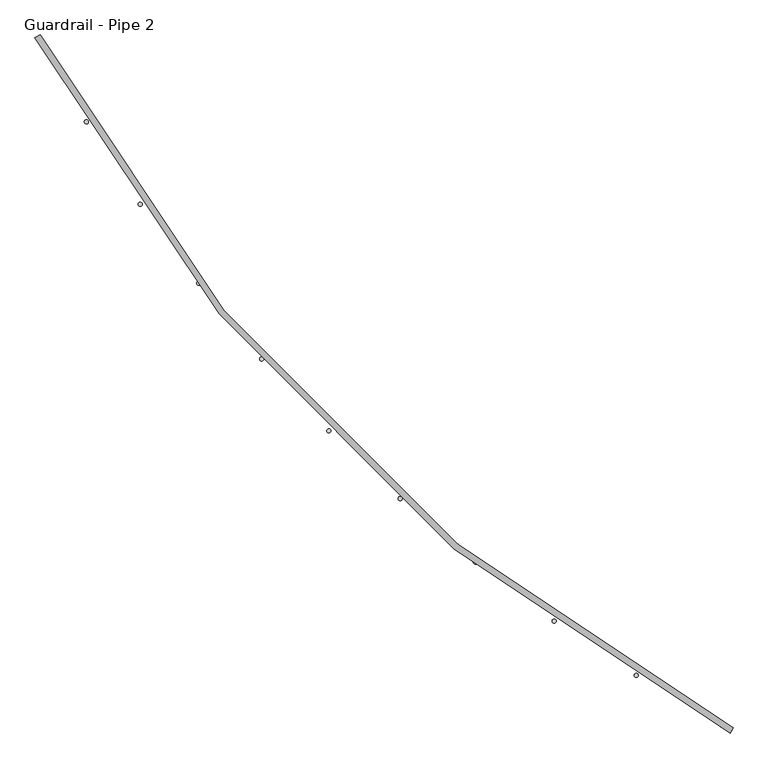
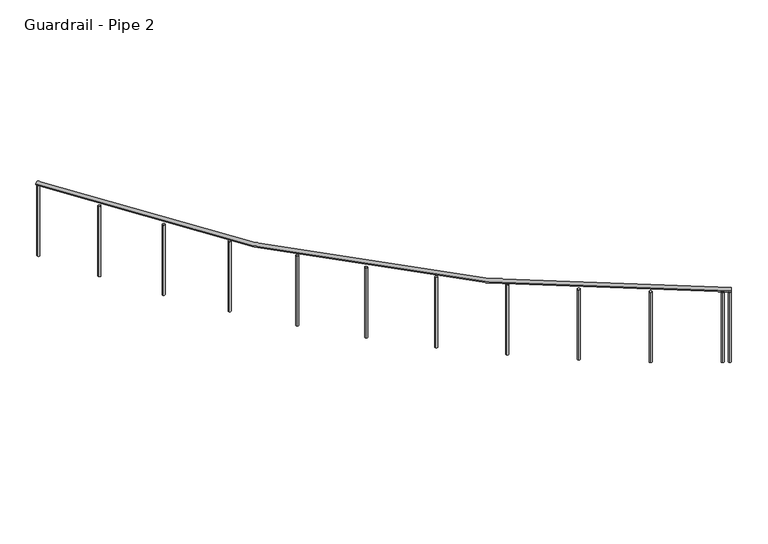
"""IFC4 building model written with IfcOpenShell, lengths in millimetres: railing geometry, Guardrail - Pipe 2."""

from ifc_helpers import new_model, si_unit, point, frame, frame_2d, origin, place, context, project, spatial, circle_curve, ellipse_curve, trimmed, segment, composite_curve, outline, extrude, source, transform, mapped, element, save
from ifc_brep_helpers import plane_surface, revolved_surface, advanced_brep


def guardrail_pipe_2_9dff063b(model_context):
    return source(origin(), model_context, "Body", "SolidModel", [
        advanced_brep(
        [(590043.0019382, -293886.65214, 5619.75), (585736.58135, -289580.2315517, 5619.75), (585770.198997, -289562.30214, 5619.75), (590060.93135, -293853.0344929, 5619.75)],
        [
            (0, 1, circle_curve(frame((594964.6254676, -284658.6080223, 5619.75), z_axis=(0.0, 0.0, -1.0), x_axis=(-0.8823529411766736, -0.4705882352937368, 0.0)), 10458.45)),
            (1, 2, circle_curve(frame((585753.3901735, -289571.2668459, 5619.75), z_axis=(0.4705882352937368, -0.8823529411766736, 0.0), x_axis=(0.8823529411766736, 0.4705882352937368, 0.0)), 19.05)),
            (2, 3, circle_curve(frame((594964.6254676, -284658.6080223, 5619.75), z_axis=(0.0, 0.0, 1.0), x_axis=(-0.8823529411766736, -0.4705882352937368, 0.0)), 10420.35)),
            (3, 0, circle_curve(frame((590051.9666441, -293869.8433165, 5619.75), z_axis=(-0.8823529411766973, 0.4705882352936925, 0.0), x_axis=(0.4705882352936925, 0.8823529411766973, 0.0)), 19.05)),
            (2, 1, circle_curve(frame((585753.3901735, -289571.2668459, 5619.75), z_axis=(0.4705882352937368, -0.8823529411766736, 0.0), x_axis=(0.8823529411766736, 0.4705882352937368, 0.0)), 19.05)),
            (0, 3, circle_curve(frame((590051.9666441, -293869.8433165, 5619.75), z_axis=(-0.8823529411766982, 0.4705882352936907, 0.0), x_axis=(0.4705882352936907, 0.8823529411766982, 0.0)), 19.05)),
        ],
        [
            revolved_surface(trimmed(ellipse_curve(frame((585753.3901735, -289571.2668459, 5619.75), z_axis=(-0.4705882352937368, 0.8823529411766736, 0.0), x_axis=(0.8823529411766736, 0.4705882352937368, 0.0)), 19.05, 19.05), [point((585770.198997, -289562.30214, 5619.75))], [point((585736.58135, -289580.2315517, 5619.75))], True, "CARTESIAN"), (594964.6254676, -284658.6080223, 5638.8), (0.0, 0.0, 1.0)),
            revolved_surface(trimmed(ellipse_curve(frame((585753.3901735, -289571.2668459, 5619.75), z_axis=(-0.4705882352937368, 0.8823529411766736, 0.0), x_axis=(0.8823529411766736, 0.4705882352937368, 0.0)), 19.05, 19.05), [point((585736.58135, -289580.2315517, 5619.75))], [point((585770.198997, -289562.30214, 5619.75))], True, "CARTESIAN"), (594964.6254676, -284658.6080223, 5638.8), (0.0, 0.0, 1.0)),
            plane_surface(frame((585753.3901735, -289571.2668459, 5638.8), z_axis=(-0.4705882352937367, 0.8823529411766737, 0.0), x_axis=(0.8823529411766737, 0.4705882352937367, 0.0))),
            plane_surface(frame((590051.9666441, -293869.8433165, 5638.8), z_axis=(0.8823529411766935, -0.47058823529369986, 0.0), x_axis=(0.47058823529369986, 0.8823529411766935, 0.0))),
        ],
        [
            (0, [[1, 2, 3, 4]]),
            (1, [[-3, 5, -1, 6]]),
            (2, [[-5, -2]]),
            (3, [[-4, -6]]),
        ],
    ),
        extrude(outline(composite_curve([segment(trimmed(circle_curve(frame_2d((589988.1588613, -293835.527575)), 12.7), [point((589982.1047657, -293846.6917107))], [point((589994.212957, -293824.3634393))], False, "CARTESIAN"), True, "CONTINUOUS"), segment(trimmed(circle_curve(frame_2d((589988.1588613, -293835.527575)), 12.7), [point((589994.212957, -293824.3634393))], [point((589982.1047657, -293846.6917107))], False, "CARTESIAN"), True, "CONTINUOUS")], self_intersect=False)), frame((0.0, 0.0, 4876.8), z_axis=(0.0, 0.0, 1.0), x_axis=(1.0, 0.0, 0.0)), (0.0, 0.0, 1.0), 723.9),
        extrude(outline(composite_curve([segment(trimmed(circle_curve(frame_2d((589461.0670034, -293529.454464)), 12.7), [point((589454.3716768, -293540.246248))], [point((589467.76233, -293518.66268))], False, "CARTESIAN"), True, "CONTINUOUS"), segment(trimmed(circle_curve(frame_2d((589461.0670034, -293529.454464)), 12.7), [point((589467.76233, -293518.66268))], [point((589454.3716768, -293540.246248))], False, "CARTESIAN"), True, "CONTINUOUS")], self_intersect=False)), frame((0.0, 0.0, 4876.8), z_axis=(0.0, 0.0, 1.0), x_axis=(1.0, 0.0, 0.0)), (0.0, 0.0, 1.0), 723.9),
        extrude(outline(composite_curve([segment(trimmed(circle_curve(frame_2d((588952.7362764, -293193.1414432)), 12.7), [point((588945.4225426, -293203.5240873))], [point((588960.0500102, -293182.7587992))], False, "CARTESIAN"), True, "CONTINUOUS"), segment(trimmed(circle_curve(frame_2d((588952.7362764, -293193.1414432)), 12.7), [point((588960.0500102, -293182.7587992))], [point((588945.4225426, -293203.5240873))], False, "CARTESIAN"), True, "CONTINUOUS")], self_intersect=False)), frame((0.0, 0.0, 4876.8), z_axis=(0.0, 0.0, 1.0), x_axis=(1.0, 0.0, 0.0)), (0.0, 0.0, 1.0), 723.9),
        extrude(outline(composite_curve([segment(trimmed(circle_curve(frame_2d((588464.8995335, -292827.7349733)), 12.7), [point((588456.9923243, -292837.673084))], [point((588472.8067426, -292817.7968627))], False, "CARTESIAN"), True, "CONTINUOUS"), segment(trimmed(circle_curve(frame_2d((588464.8995335, -292827.7349733)), 12.7), [point((588472.8067426, -292817.7968627))], [point((588456.9923243, -292837.673084))], False, "CARTESIAN"), True, "CONTINUOUS")], self_intersect=False)), frame((0.0, 0.0, 4876.8), z_axis=(0.0, 0.0, 1.0), x_axis=(1.0, 0.0, 0.0)), (0.0, 0.0, 1.0), 723.9),
        extrude(outline(composite_curve([segment(trimmed(circle_curve(frame_2d((587999.2197658, -292434.4806917)), 12.7), [point((587990.7460363, -292443.9403908))], [point((588007.6934954, -292425.0209926))], False, "CARTESIAN"), True, "CONTINUOUS"), segment(trimmed(circle_curve(frame_2d((587999.2197658, -292434.4806917)), 12.7), [point((588007.6934954, -292425.0209926))], [point((587990.7460363, -292443.9403908))], False, "CARTESIAN"), True, "CONTINUOUS")], self_intersect=False)), frame((0.0, 0.0, 4876.8), z_axis=(0.0, 0.0, 1.0), x_axis=(1.0, 0.0, 0.0)), (0.0, 0.0, 1.0), 723.9),
        extrude(outline(composite_curve([segment(trimmed(circle_curve(frame_2d((587557.2844335, -292014.7191665)), 12.7), [point((587548.2730697, -292023.6682068))], [point((587566.2957973, -292005.7701261))], False, "CARTESIAN"), True, "CONTINUOUS"), segment(trimmed(circle_curve(frame_2d((587557.2844335, -292014.7191665)), 12.7), [point((587566.2957973, -292005.7701261))], [point((587548.2730697, -292023.6682068))], False, "CARTESIAN"), True, "CONTINUOUS")], self_intersect=False)), frame((0.0, 0.0, 4876.8), z_axis=(0.0, 0.0, 1.0), x_axis=(1.0, 0.0, 0.0)), (0.0, 0.0, 1.0), 723.9),
        extrude(outline(composite_curve([segment(trimmed(circle_curve(frame_2d((587140.6000539, -291569.8813266)), 12.7), [point((587131.0817748, -291578.2892017))], [point((587150.118333, -291561.4734515))], False, "CARTESIAN"), True, "CONTINUOUS"), segment(trimmed(circle_curve(frame_2d((587140.6000539, -291569.8813266)), 12.7), [point((587150.118333, -291561.4734515))], [point((587131.0817748, -291578.2892017))], False, "CARTESIAN"), True, "CONTINUOUS")], self_intersect=False)), frame((0.0, 0.0, 4876.8), z_axis=(0.0, 0.0, 1.0), x_axis=(1.0, 0.0, 0.0)), (0.0, 0.0, 1.0), 723.9),
        extrude(outline(composite_curve([segment(trimmed(circle_curve(frame_2d((586750.5870662, -291101.4835838)), 12.7), [point((586740.5943188, -291109.321632))], [point((586760.5798137, -291093.6455357))], False, "CARTESIAN"), True, "CONTINUOUS"), segment(trimmed(circle_curve(frame_2d((586750.5870662, -291101.4835838)), 12.7), [point((586760.5798137, -291093.6455357))], [point((586740.5943188, -291109.321632))], False, "CARTESIAN"), True, "CONTINUOUS")], self_intersect=False)), frame((0.0, 0.0, 4876.8), z_axis=(0.0, 0.0, 1.0), x_axis=(1.0, 0.0, 0.0)), (0.0, 0.0, 1.0), 723.9),
        extrude(outline(composite_curve([segment(trimmed(circle_curve(frame_2d((586388.5749893, -290611.1226635)), 12.7), [point((586378.1418379, -290618.3641655))], [point((586399.0081407, -290603.8811615))], False, "CARTESIAN"), True, "CONTINUOUS"), segment(trimmed(circle_curve(frame_2d((586388.5749893, -290611.1226635)), 12.7), [point((586399.0081407, -290603.8811615))], [point((586378.1418379, -290618.3641655))], False, "CARTESIAN"), True, "CONTINUOUS")], self_intersect=False)), frame((0.0, 0.0, 4876.8), z_axis=(0.0, 0.0, 1.0), x_axis=(1.0, 0.0, 0.0)), (0.0, 0.0, 1.0), 723.9),
        extrude(outline(composite_curve([segment(trimmed(circle_curve(frame_2d((586055.7978894, -290100.4701616)), 12.7), [point((586044.9598997, -290107.0904318))], [point((586066.6358792, -290093.8498913))], False, "CARTESIAN"), True, "CONTINUOUS"), segment(trimmed(circle_curve(frame_2d((586055.7978894, -290100.4701616)), 12.7), [point((586066.6358792, -290093.8498913))], [point((586044.9598997, -290107.0904318))], False, "CARTESIAN"), True, "CONTINUOUS")], self_intersect=False)), frame((0.0, 0.0, 4876.8), z_axis=(0.0, 0.0, 1.0), x_axis=(1.0, 0.0, 0.0)), (0.0, 0.0, 1.0), 723.9),
        extrude(outline(composite_curve([segment(trimmed(circle_curve(frame_2d((590040.7643998, -293863.8600311)), 12.7), [point((590034.7743012, -293875.0586345))], [point((590046.7544984, -293852.6614277))], False, "CARTESIAN"), True, "CONTINUOUS"), segment(trimmed(circle_curve(frame_2d((590040.7643998, -293863.8600311)), 12.7), [point((590046.7544984, -293852.6614277))], [point((590034.7743012, -293875.0586345))], False, "CARTESIAN"), True, "CONTINUOUS")], self_intersect=False)), frame((0.0, 0.0, 4876.8), z_axis=(0.0, 0.0, 1.0), x_axis=(1.0, 0.0, 0.0)), (0.0, 0.0, 1.0), 723.9),
        extrude(outline(composite_curve([segment(trimmed(circle_curve(frame_2d((585759.3734588, -289582.4690901)), 12.7), [point((585748.1748554, -289588.4591888))], [point((585770.5720622, -289576.4789915))], False, "CARTESIAN"), True, "CONTINUOUS"), segment(trimmed(circle_curve(frame_2d((585759.3734588, -289582.4690901)), 12.7), [point((585770.5720622, -289576.4789915))], [point((585748.1748554, -289588.4591888))], False, "CARTESIAN"), True, "CONTINUOUS")], self_intersect=False)), frame((0.0, 0.0, 4876.8), z_axis=(0.0, 0.0, 1.0), x_axis=(1.0, 0.0, 0.0)), (0.0, 0.0, 1.0), 723.9),
    ])


if __name__ == "__main__":
    model = new_model("IFC4")
    model_context = context("Model", 3, world=origin())
    ifc_project = project(units=[si_unit("LENGTHUNIT", "METRE", prefix="MILLI")], contexts=[model_context])
    site = spatial("IfcSite", under=ifc_project)
    building = spatial("IfcBuilding", under=site)
    placement = place(None, origin())
    guardrail_pipe_2_shape = guardrail_pipe_2_9dff063b(model_context)
    element("IfcRailing", 1, ObjectType="Guardrail - Pipe 2", at=placement, inside=building, context=model_context, shape_type="MappedRepresentation", body=[
        mapped(guardrail_pipe_2_shape, transform((0.0, 0.0, 0.0), x_axis=(1.0, 0.0, 0.0), y_axis=(0.0, 1.0, 0.0), z_axis=(0.0, 0.0, 1.0))),
    ])
    save(model, "model.ifc")
